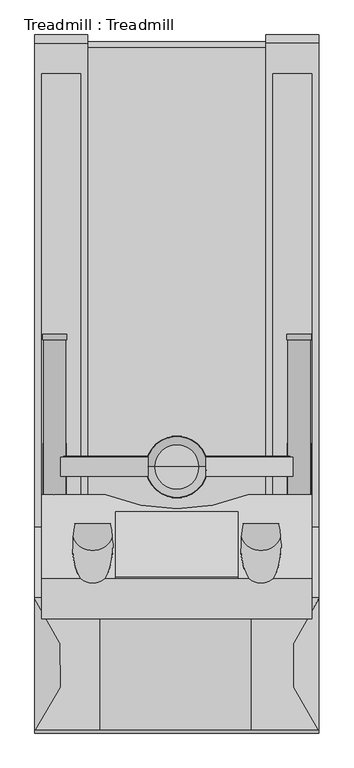
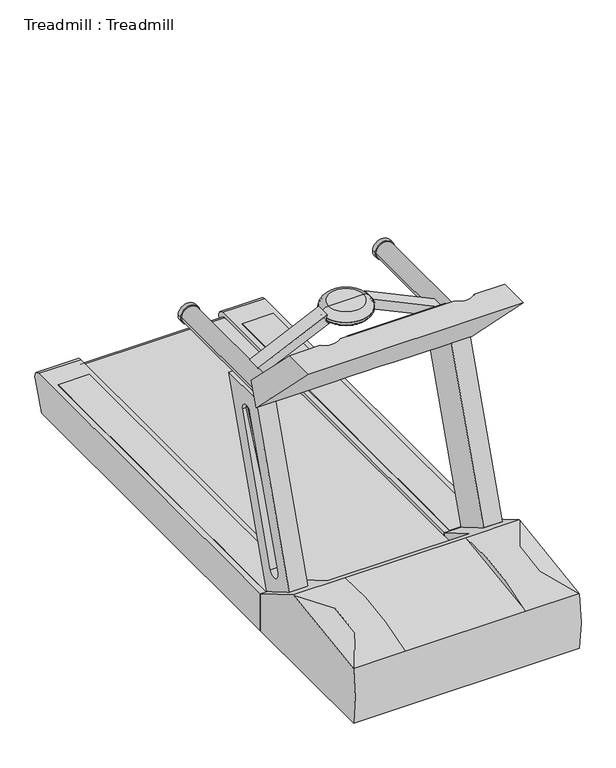
"""IFC4 building model written with IfcOpenShell, lengths in millimetres: proxy geometry, Treadmill : Treadmill."""

from ifc_helpers import new_model, si_unit, point, frame, frame_2d, origin, origin_with_axes, place, context, project, spatial, polyline, circle_curve, ellipse_curve, trimmed, segment, composite_curve, outline, extrude, source, transform, mapped, element, save
from ifc_brep_helpers import plane_surface, cylinder_surface, revolved_surface, advanced_brep


def treadmill_treadmill_3546c72e(model_context):
    return source(origin(), model_context, "Body", "SolidModel", [
        advanced_brep(
        [(-349.1721585, -1352.55, 1114.5524225), (-444.5, -1352.55, 1114.5524225), (-539.8278415, -1352.55, 1114.5524225), (-349.1721585, -1352.55, 1105.8211725), (-539.8278415, -1352.55, 1105.8211725), (-444.5, -1352.55, 1105.8211725)],
        [
            (0, 1),
            (1, 2),
            (2, 0, circle_curve(frame((-444.5, -1352.55, 1114.5524225), z_axis=(0.0, 0.0, 1.0), x_axis=(-1.0, 0.0, 0.0)), 95.3278415)),
            (0, 2, circle_curve(frame((-444.5, -1352.55, 1114.5524225), z_axis=(0.0, 0.0, 1.0), x_axis=(-1.0, 0.0, 0.0)), 95.3278415)),
            (3, 0, circle_curve(frame((-355.172416, -1352.55, 1110.1867975), z_axis=(0.0, -1.0, 0.0), x_axis=(-1.0, 0.0, 0.0)), 7.4203619)),
            (2, 4, circle_curve(frame((-533.827584, -1352.55, 1110.1867975), z_axis=(0.0, -1.0, 0.0), x_axis=(1.0, 0.0, 0.0)), 7.4203619)),
            (4, 3, circle_curve(frame((-444.5, -1352.55, 1105.8211725), z_axis=(0.0, 0.0, 1.0), x_axis=(-1.0, 0.0, 0.0)), 95.3278415)),
            (3, 4, circle_curve(frame((-444.5, -1352.55, 1105.8211725), z_axis=(0.0, 0.0, 1.0), x_axis=(-1.0, 0.0, 0.0)), 95.3278415)),
            (5, 3),
            (4, 5),
        ],
        [
            plane_surface(frame((-444.5, -1352.55, 1114.5524225), z_axis=(0.0, 0.0, 1.0), x_axis=(-1.0, 0.0, 0.0))),
            revolved_surface(trimmed(ellipse_curve(frame((-533.827584, -1352.55, 1110.1867975), z_axis=(0.0, -1.0, 0.0), x_axis=(1.0, 0.0, 0.0)), 7.4203619, 7.4203619), [point((-539.8278415, -1352.55, 1114.5524225))], [point((-539.8278415, -1352.55, 1105.8211725))], True, "CARTESIAN"), (-444.5, -1352.55, 1105.8211725), (0.0, 0.0, -1.0)),
            plane_surface(frame((-444.5, -1352.55, 1105.8211725), z_axis=(0.0, 0.0, -1.0), x_axis=(-1.0, 0.0, 0.0))),
        ],
        [
            (0, [[1, 2, 3]]),
            (0, [[-2, -1, 4]]),
            (1, [[5, -3, 6, 7]]),
            (1, [[-6, -4, -5, 8]]),
            (2, [[9, -7, 10]]),
            (2, [[-10, -8, -9]]),
        ],
    ),
        extrude(outline(polyline([(1115.7430475, -351.0103633), (1107.377116, -354.9284687), (984.7314722, -93.0557072), (991.6787291, -86.1084503), (1115.7430475, -351.0103633)])), frame((0.0, -1322.7841786, 0.0), z_axis=(0.0, 1.0, 0.0), x_axis=(0.0, 0.0, 1.0)), (0.0, 0.0, 1.0), 3.175),
        extrude(outline(polyline([(1115.7430475, -537.9896367), (991.6787291, -802.8915497), (984.7314722, -795.9442928), (1107.377116, -534.0715313), (1115.7430475, -537.9896367)])), frame((0.0, -1322.7841786, 0.0), z_axis=(0.0, 1.0, 0.0), x_axis=(0.0, 0.0, 1.0)), (0.0, 0.0, 1.0), 3.175),
        extrude(outline(composite_curve([segment(polyline([(1002.5022314, -80.7346316), (1129.8023351, -353.730585)]), True, "CONTINUOUS"), segment(trimmed(circle_curve(frame_2d((1114.8477313, -375.5559384)), 26.4572528), [point((1129.8023351, -353.730585))], [point((1092.8061427, -360.9219163))], True, "CARTESIAN"), True, "CONTINUOUS"), segment(polyline([(1092.8061427, -360.9219163), (969.3593485, -96.1894118)]), True, "CONTINUOUS"), segment(trimmed(circle_curve(frame_2d((973.4986498, -61.8012111)), 34.6364282), [point((969.3593485, -96.1894118))], [point((1002.5022314, -80.7346316))], True, "CARTESIAN"), True, "CONTINUOUS")], self_intersect=False)), frame((0.0, -1381.4594459, 0.0), z_axis=(0.0, 1.0, 0.0), x_axis=(0.0, 0.0, 1.0)), (0.0, 0.0, 1.0), 58.6752674),
        extrude(outline(composite_curve([segment(trimmed(circle_curve(frame_2d((973.4986498, -827.1987889)), 34.6364282), [point((1002.5022314, -808.2653684))], [point((969.3593485, -792.8105882))], True, "CARTESIAN"), True, "CONTINUOUS"), segment(polyline([(969.3593485, -792.8105882), (1092.8061427, -528.0780837)]), True, "CONTINUOUS"), segment(trimmed(circle_curve(frame_2d((1114.8477313, -513.4440616)), 26.4572528), [point((1092.8061427, -528.0780837))], [point((1129.8023351, -535.269415))], True, "CARTESIAN"), True, "CONTINUOUS"), segment(polyline([(1129.8023351, -535.269415), (1002.5022314, -808.2653684)]), True, "CONTINUOUS")], self_intersect=False)), frame((0.0, -1381.4594459, 0.0), z_axis=(0.0, 1.0, 0.0), x_axis=(0.0, 0.0, 1.0)), (0.0, 0.0, 1.0), 58.6752674),
        advanced_brep(
        [(-514.35, -1352.55, 1090.0482505), (-444.5, -1352.55, 1090.0482505), (-374.65, -1352.55, 1090.0482505), (-514.35, -1352.55, 1140.8482505), (-374.65, -1352.55, 1140.8482505), (-444.5, -1352.55, 1140.8482505)],
        [
            (0, 1),
            (1, 2),
            (2, 0, circle_curve(frame((-444.5, -1352.55, 1090.0482505), z_axis=(0.0, 0.0, -1.0), x_axis=(1.0, 0.0, 0.0)), 69.85)),
            (0, 2, circle_curve(frame((-444.5, -1352.55, 1090.0482505), z_axis=(0.0, 0.0, -1.0), x_axis=(1.0, 0.0, 0.0)), 69.85)),
            (3, 0, circle_curve(frame((-514.35, -1352.55, 1115.4482505), z_axis=(0.0, -1.0, 0.0), x_axis=(-1.0, 0.0, 0.0)), 25.4)),
            (2, 4, circle_curve(frame((-374.65, -1352.55, 1115.4482505), z_axis=(0.0, -1.0, 0.0), x_axis=(1.0, 0.0, 0.0)), 25.4)),
            (4, 3, circle_curve(frame((-444.5, -1352.55, 1140.8482505), z_axis=(0.0, 0.0, -1.0), x_axis=(1.0, 0.0, 0.0)), 69.85)),
            (3, 4, circle_curve(frame((-444.5, -1352.55, 1140.8482505), z_axis=(0.0, 0.0, -1.0), x_axis=(1.0, 0.0, 0.0)), 69.85)),
            (5, 3),
            (4, 5),
        ],
        [
            plane_surface(frame((-444.5, -1352.55, 1090.0482505), z_axis=(0.0, 0.0, -1.0), x_axis=(1.0, 0.0, 0.0))),
            revolved_surface(trimmed(ellipse_curve(frame((-374.65, -1352.55, 1115.4482505), z_axis=(0.0, -1.0, 0.0), x_axis=(1.0, 0.0, 0.0)), 25.4, 25.4), [point((-374.65, -1352.55, 1090.0482505))], [point((-374.65, -1352.55, 1140.8482505))], True, "CARTESIAN"), (-444.5, -1352.55, 1140.8482505), (0.0, 0.0, 1.0)),
            plane_surface(frame((-444.5, -1352.55, 1140.8482505), z_axis=(0.0, 0.0, 1.0), x_axis=(1.0, 0.0, 0.0))),
        ],
        [
            (0, [[1, 2, 3]]),
            (0, [[-2, -1, 4]]),
            (1, [[5, -3, 6, 7]]),
            (1, [[-6, -4, -5, 8]]),
            (2, [[9, -7, 10]]),
            (2, [[-10, -8, -9]]),
        ],
    ),
        extrude(outline(composite_curve([segment(trimmed(circle_curve(frame_2d((973.5491284, -61.8652712)), 38.1), [point((973.5491284, -23.7652712))], [point((973.5491284, -99.9652712))], False, "CARTESIAN"), True, "CONTINUOUS"), segment(trimmed(circle_curve(frame_2d((973.5491284, -61.8652712)), 38.1), [point((973.5491284, -99.9652712))], [point((973.5491284, -23.7652712))], False, "CARTESIAN"), True, "CONTINUOUS")], self_intersect=False)), frame((0.0, -954.5315853, 0.0), z_axis=(0.0, 1.0, 0.0), x_axis=(0.0, 0.0, 1.0)), (0.0, 0.0, 1.0), 17.3752344),
        extrude(outline(composite_curve([segment(trimmed(circle_curve(frame_2d((973.4986498, -61.8012111)), 34.6364282), [point((973.4986498, -27.1647829))], [point((973.4986498, -96.4376393))], False, "CARTESIAN"), True, "CONTINUOUS"), segment(trimmed(circle_curve(frame_2d((973.4986498, -61.8012111)), 34.6364282), [point((973.4986498, -96.4376393))], [point((973.4986498, -27.1647829))], False, "CARTESIAN"), True, "CONTINUOUS")], self_intersect=False)), frame((0.0, -1482.6539046, 0.0), z_axis=(0.0, 1.0, 0.0), x_axis=(0.0, 0.0, 1.0)), (0.0, 0.0, 1.0), 528.1223193),
        extrude(outline(composite_curve([segment(trimmed(circle_curve(frame_2d((973.5491284, -827.1347288)), 38.1), [point((973.5491284, -865.2347288))], [point((973.5491284, -789.0347288))], False, "CARTESIAN"), True, "CONTINUOUS"), segment(trimmed(circle_curve(frame_2d((973.5491284, -827.1347288)), 38.1), [point((973.5491284, -789.0347288))], [point((973.5491284, -865.2347288))], False, "CARTESIAN"), True, "CONTINUOUS")], self_intersect=False)), frame((0.0, -954.5315853, 0.0), z_axis=(0.0, 1.0, 0.0), x_axis=(0.0, 0.0, 1.0)), (0.0, 0.0, 1.0), 17.3752344),
        extrude(outline(composite_curve([segment(trimmed(circle_curve(frame_2d((973.4986498, -827.1987889)), 34.6364282), [point((973.4986498, -861.8352171))], [point((973.4986498, -792.5623607))], False, "CARTESIAN"), True, "CONTINUOUS"), segment(trimmed(circle_curve(frame_2d((973.4986498, -827.1987889)), 34.6364282), [point((973.4986498, -792.5623607))], [point((973.4986498, -861.8352171))], False, "CARTESIAN"), True, "CONTINUOUS")], self_intersect=False)), frame((0.0, -1482.6539046, 0.0), z_axis=(0.0, 1.0, 0.0), x_axis=(0.0, 0.0, 1.0)), (0.0, 0.0, 1.0), 528.1223193),
        extrude(outline(polyline([(-1700.9655905, 1270.0), (-1697.7905905, 1270.0), (-1492.5006609, 1064.7100704), (-1494.5976053, 1063.6320148), (-1700.9655905, 1270.0)])), frame((-636.2524063, 0.0, 0.0), z_axis=(1.0, 0.0, 0.0), x_axis=(0.0, 1.0, 0.0)), (0.0, 0.0, 1.0), 382.2381748),
        advanced_brep(
        [(-21.5810643, -1700.9655905, 1270.0), (-21.5810643, -1827.9655905, 1270.0), (-21.5810643, -1471.9818615, 914.0162711), (-21.5810643, -1439.4528809, 1008.4872905), (-867.4189357, -1700.9655905, 1270.0), (-867.4189357, -1439.4528809, 1008.4872905), (-867.4189357, -1471.9818615, 914.0162711), (-867.4189357, -1827.9655905, 1270.0), (-222.25, -1439.4528809, 1008.4872905), (-444.5, -1482.6539046, 1051.6883142), (-666.75, -1439.4528809, 1008.4872905), (-747.7787878, -1700.9655905, 1270.0), (-771.4479718, -1593.5543686, 1162.5887781), (-764.434193, -1530.5479483, 1099.5823578), (-651.4617506, -1530.5479483, 1099.5823578), (-644.4479718, -1593.5543686, 1162.5887781), (-668.1171558, -1700.9655905, 1270.0), (-220.8828442, -1700.9655905, 1270.0), (-244.5520282, -1593.5543686, 1162.5887781), (-237.5382494, -1530.5479483, 1099.5823578), (-124.565807, -1530.5479483, 1099.5823578), (-117.5520282, -1593.5543686, 1162.5887781), (-141.2212122, -1700.9655905, 1270.0), (-560.4711377, -1471.9818615, 914.0162711), (-328.5288623, -1471.9818615, 914.0162711), (-444.5, -1482.6539046, 924.6883142), (-644.4479718, -1556.6216029, 1086.8653868), (-771.4479718, -1556.6216029, 1086.8653868), (-117.5520282, -1556.6216029, 1086.8653868), (-244.5520282, -1556.6216029, 1086.8653868)],
        [
            (0, 1),
            (1, 2),
            (2, 3),
            (3, 0),
            (4, 5),
            (5, 6),
            (6, 7),
            (7, 4),
            (3, 8),
            (8, 9, ellipse_curve(frame((-437.1313239, -927.2733802, 496.3077897), z_axis=(0.0, -0.7071067811865471, -0.7071067811865479), x_axis=(0.0, -0.7071067811865479, 0.7071067811865471)), 785.495798, 555.4294054)),
            (9, 10, ellipse_curve(frame((-451.8686761, -927.2733802, 496.3077897), z_axis=(0.0, -0.7071067811865471, -0.7071067811865479), x_axis=(0.0, -0.7071067811865479, 0.7071067811865471)), 785.495798, 555.4294054)),
            (10, 5),
            (4, 11),
            (11, 12, ellipse_curve(frame((-707.9479718, -1593.5543686, 1162.5887781), z_axis=(0.0, -0.7071067811865471, -0.7071067811865479), x_axis=(0.0, -0.7071067811865479, 0.7071067811865471)), 195.0436464, 63.5)),
            (12, 13, ellipse_curve(frame((-707.9479718, -1593.5543686, 1162.5887781), z_axis=(0.0, -0.7071067811865471, -0.7071067811865479), x_axis=(0.0, -0.7071067811865479, 0.7071067811865471)), 195.0436464, 63.5)),
            (13, 14),
            (14, 15, ellipse_curve(frame((-707.9479718, -1593.5543686, 1162.5887781), z_axis=(0.0, -0.7071067811865471, -0.7071067811865479), x_axis=(0.0, -0.7071067811865479, 0.7071067811865471)), 195.0436464, 63.5)),
            (15, 16, ellipse_curve(frame((-707.9479718, -1593.5543686, 1162.5887781), z_axis=(0.0, -0.7071067811865471, -0.7071067811865479), x_axis=(0.0, -0.7071067811865479, 0.7071067811865471)), 195.0436464, 63.5)),
            (16, 17),
            (17, 18, ellipse_curve(frame((-181.0520282, -1593.5543686, 1162.5887781), z_axis=(0.0, -0.7071067811865471, -0.7071067811865479), x_axis=(0.0, -0.7071067811865479, 0.7071067811865471)), 195.0436464, 63.5)),
            (18, 19, ellipse_curve(frame((-181.0520282, -1593.5543686, 1162.5887781), z_axis=(0.0, -0.7071067811865471, -0.7071067811865479), x_axis=(0.0, -0.7071067811865479, 0.7071067811865471)), 195.0436464, 63.5)),
            (19, 20),
            (20, 21, ellipse_curve(frame((-181.0520282, -1593.5543686, 1162.5887781), z_axis=(0.0, -0.7071067811865471, -0.7071067811865479), x_axis=(0.0, -0.7071067811865479, 0.7071067811865471)), 195.0436464, 63.5)),
            (21, 22, ellipse_curve(frame((-181.0520282, -1593.5543686, 1162.5887781), z_axis=(0.0, -0.7071067811865471, -0.7071067811865479), x_axis=(0.0, -0.7071067811865479, 0.7071067811865471)), 195.0436464, 63.5)),
            (22, 0),
            (10, 23, ellipse_curve(frame((-451.8686761, -927.2733802, 2495.9645678), z_axis=(0.0, -0.9455185755993192, 0.32556815445715), x_axis=(0.0, 0.32556815445715004, 0.9455185755993192)), 1706.0311267, 555.4294054)),
            (23, 6),
            (2, 24),
            (24, 8, ellipse_curve(frame((-437.1313239, -927.2733802, 2495.9645678), z_axis=(0.0, -0.9455185755993192, 0.32556815445715), x_axis=(0.0, 0.32556815445715004, 0.9455185755993192)), 1706.0311267, 555.4294054)),
            (1, 7),
            (23, 25, ellipse_curve(frame((-451.8686761, -927.2733802, 369.3077897), z_axis=(0.0, 0.7071067811865469, 0.7071067811865482), x_axis=(0.0, -0.7071067811865482, 0.7071067811865467)), 785.495798, 555.4294054)),
            (25, 24, ellipse_curve(frame((-437.1313239, -927.2733802, 369.3077897), z_axis=(0.0, 0.7071067811865469, 0.7071067811865482), x_axis=(0.0, -0.7071067811865482, 0.7071067811865467)), 785.495798, 555.4294054)),
            (22, 17, ellipse_curve(frame((-181.0520282, -1645.9423219, 1270.0), z_axis=(0.0, 0.0, -1.0), x_axis=(0.0, -1.0, 0.0)), 70.6502232, 63.5)),
            (16, 11, ellipse_curve(frame((-707.9479718, -1645.9423219, 1270.0), z_axis=(0.0, 0.0, -1.0), x_axis=(0.0, -1.0, 0.0)), 70.6502232, 63.5)),
            (26, 14, circle_curve(frame((-707.9479718, -1556.6216029, 1086.8653868), z_axis=(0.0, -0.4383711467890823, 0.8987940462991646), x_axis=(1.0, 0.0, 0.0)), 63.5)),
            (13, 27, circle_curve(frame((-707.9479718, -1556.6216029, 1086.8653868), z_axis=(0.0, -0.4383711467890823, 0.8987940462991646), x_axis=(1.0, 0.0, 0.0)), 63.5)),
            (27, 26, circle_curve(frame((-707.9479718, -1556.6216029, 1086.8653868), z_axis=(0.0, -0.4383711467890823, 0.8987940462991646), x_axis=(1.0, 0.0, 0.0)), 63.5)),
            (12, 27),
            (26, 15),
            (28, 20, circle_curve(frame((-181.0520282, -1556.6216029, 1086.8653868), z_axis=(0.0, -0.4383711467890823, 0.8987940462991646), x_axis=(-1.0, 0.0, 0.0)), 63.5)),
            (19, 29, circle_curve(frame((-181.0520282, -1556.6216029, 1086.8653868), z_axis=(0.0, -0.4383711467890823, 0.8987940462991646), x_axis=(-1.0, 0.0, 0.0)), 63.5)),
            (29, 28, circle_curve(frame((-181.0520282, -1556.6216029, 1086.8653868), z_axis=(0.0, -0.4383711467890823, 0.8987940462991646), x_axis=(-1.0, 0.0, 0.0)), 63.5)),
            (29, 18),
            (21, 28),
            (25, 9),
        ],
        [
            plane_surface(frame((-21.5810643, -1439.4528809, 1008.4872905), z_axis=(1.0, 0.0, 0.0), x_axis=(0.0, 0.7071067811865479, -0.7071067811865471))),
            plane_surface(frame((-867.4189357, -1439.4528809, 1008.4872905), z_axis=(-1.0, 0.0, 0.0), x_axis=(0.0, -0.7071067811865479, 0.7071067811865471))),
            plane_surface(frame((-21.5810643, -1700.9655905, 1270.0), z_axis=(0.0, 0.7071067811865471, 0.7071067811865479), x_axis=(-1.0, 0.0, 0.0))),
            plane_surface(frame((-21.5810643, -1439.4528809, 1008.4872905), z_axis=(0.0, 0.9455185755993192, -0.32556815445715), x_axis=(-1.0, 0.0, 0.0))),
            plane_surface(frame((-21.5810643, -1471.9818615, 914.0162711), z_axis=(0.0, -0.7071067811865469, -0.7071067811865482), x_axis=(-1.0, 0.0, 0.0))),
            plane_surface(frame((-21.5810643, -1827.9655905, 1270.0), z_axis=(0.0, 0.0, 1.0), x_axis=(-1.0, 0.0, 0.0))),
            plane_surface(frame((-644.4479718, -1556.6216029, 1086.8653868), z_axis=(0.0, -0.4383711467890823, 0.8987940462991646), x_axis=(0.0, 0.8987940462991646, 0.4383711467890823))),
            revolved_surface(polyline([(-644.4479718, -1674.3976316220792, 1328.3420309348294), (-644.4479718, -1512.7111055031723, 996.8355253016277)]), (-707.9479718, -1556.6216029, 1086.8653868), (0.0, -0.4383711467890823, 0.8987940462991646)),
            plane_surface(frame((-244.5520282, -1556.6216029, 1086.8653868), z_axis=(0.0, -0.4383711467890823, 0.8987940462991646), x_axis=(0.0, -0.8987940462991646, -0.4383711467890823))),
            revolved_surface(polyline([(-244.5520282, -1674.3976316220792, 1328.3420309348294), (-244.5520282, -1512.7111055031723, 996.8355253016277)]), (-181.0520282, -1556.6216029, 1086.8653868), (0.0, -0.4383711467890823, 0.8987940462991646)),
            revolved_surface(polyline([(-992.5607292999999, -927.2733802, 4109.0486886454855), (-992.5607292999999, -927.2733802, -186.12161565933798)]), (-437.1313239, -927.2733802, 914.0162711), (0.0, 0.0, 1.0)),
            revolved_surface(polyline([(103.56072929999993, -927.2733802, 4109.0486886454855), (103.56072929999993, -927.2733802, -186.12161565933798)]), (-451.8686761, -927.2733802, 914.0162711), (0.0, 0.0, 1.0)),
        ],
        [
            (0, [[1, 2, 3, 4]]),
            (1, [[5, 6, 7, 8]]),
            (2, [[9, 10, 11, 12, -5, 13, 14, 15, 16, 17, 18, 19, 20, 21, 22, 23, 24, 25, -4]]),
            (3, [[-12, 26, 27, -6]]),
            (3, [[28, 29, -9, -3]]),
            (4, [[30, -7, -27, 31, 32, -28, -2]]),
            (5, [[-25, 33, -19, 34, -13, -8, -30, -1]]),
            (6, [[35, -16, 36, 37]]),
            (7, [[-15, 38, -36]]),
            (7, [[39, -17, -35]]),
            (7, [[-38, -14, -34, -18, -39, -37]]),
            (8, [[40, -22, 41, 42]]),
            (9, [[43, -20, -33, -24, 44, -42]]),
            (9, [[-21, -43, -41]]),
            (9, [[-44, -23, -40]]),
            (10, [[-10, -29, -32, 45]]),
            (11, [[-31, -26, -11, -45]]),
        ],
    ),
        advanced_brep(
        [(-848.2876226, -1373.1040381, 849.5007853), (-825.0360996, -1563.5861071, 294.7356878), (-821.8631251, -1563.5861071, 294.8505205), (-845.1146481, -1373.1040381, 849.6156179), (-845.2521976, -1372.7394679, 852.8974534), (-848.4247924, -1372.7398829, 852.7735595), (-825.3331212, -1613.0660431, 301.8224166), (-822.1605265, -1613.0664564, 301.9463105), (-824.9387113, -1563.5861071, 292.4120711), (-848.1898549, -1373.1040381, 847.1681159), (-845.0176399, -1373.1040381, 847.3010709), (-821.7664963, -1563.5861071, 292.5450261)],
        [
            (0, 1),
            (1, 2),
            (2, 3),
            (3, 0),
            (3, 4, ellipse_curve(frame((-845.3007036, -1398.1547124, 854.0547726), z_axis=(0.9991228318799896, 0.0, 0.041875611232674984), x_axis=(-0.04187561123264924, 0.0, 0.9991228318799907)), 25.4420414, 25.4416263)),
            (4, 5),
            (5, 0, ellipse_curve(frame((-848.4736782, -1398.1547124, 853.93994), z_axis=(-0.9991228318799896, 0.0, -0.041875611232674984), x_axis=(-0.04187561123264924, 0.0, 0.9991228318799907)), 25.4420414, 25.4416263)),
            (1, 6, ellipse_curve(frame((-825.3818186, -1587.6510073, 302.9843017), z_axis=(-0.9991228318799896, 0.0, -0.041875611232674984), x_axis=(-0.04187561123264929, 0.0, 0.9991228318799906)), 25.4420414, 25.4416263)),
            (6, 7),
            (7, 2, ellipse_curve(frame((-822.2088441, -1587.6510073, 303.0991343), z_axis=(0.9991228318799896, 0.0, 0.041875611232674984), x_axis=(-0.04187561123264929, 0.0, 0.9991228318799906)), 25.4420414, 25.4416263)),
            (8, 6, circle_curve(frame((-825.2844247, -1587.6510073, 300.6605504), z_axis=(-0.9991228318799896, 0.0, -0.041875611232674984), x_axis=(0.0, -1.0, 0.0)), 25.4416263)),
            (5, 9, circle_curve(frame((-848.3759074, -1398.1547124, 851.6071981), z_axis=(-0.9991228318799895, 0.0, -0.04187561123267499), x_axis=(-0.025781047294201585, -0.7880136137091434, 0.6151177791362166)), 25.4416263)),
            (9, 8),
            (10, 4, circle_curve(frame((-845.2036924, -1398.1547124, 851.7401532), z_axis=(0.9991228318799895, 0.0, 0.04187561123267499), x_axis=(-0.025781047294201585, -0.7880136137091434, 0.6151177791362166)), 25.4416263)),
            (7, 11, circle_curve(frame((-822.1122097, -1587.6510073, 300.7935054), z_axis=(0.9991228318799896, 0.0, 0.041875611232674984), x_axis=(0.0, -1.0, 0.0)), 25.4416263)),
            (11, 10),
            (9, 10),
            (11, 8),
        ],
        [
            plane_surface(frame((-878.4983709, -1563.5861071, 292.8008432), z_axis=(-0.011736121747804657, -0.9458868663800291, 0.3242842880191543), x_axis=(0.9993457540594537, 0.0, 0.036167165265498895))),
            revolved_surface(polyline([(-849.1854261948184, -1418.2030602793006, 869.5877716000386), (-845.721952527889, -1418.2030602793006, 869.7131176316756)]), (-841.8407443, -1398.1547124, 854.1799914), (-0.9993457540594535, 0.0, -0.03616716526549886)),
            revolved_surface(polyline([(-825.52706813318, -1613.0926336, 302.9790449763157), (-822.0635945661197, -1613.0926336, 303.10439100433825)]), (-821.8970719, -1587.6510073, 303.1104176), (-0.9993457540594537, 0.0, -0.036167165265498874)),
            plane_surface(frame((-849.6414399, -1361.2121106, 881.8019201), z_axis=(-0.9991228318799896, 0.0, -0.041875611232674984), x_axis=(-0.039609590686623286, 0.3244965885949635, 0.945057164575704))),
            plane_surface(frame((-846.4692249, -1361.2121106, 881.9348751), z_axis=(0.9991228318799896, 0.0, 0.041875611232674984), x_axis=(0.039609590686623286, -0.3244965885949635, -0.945057164575704))),
            plane_surface(frame((-824.9387113, -1563.5861071, 292.4120711), z_axis=(0.013588492990329883, 0.9458868663800292, -0.324211950532396), x_axis=(0.9991228318799898, 0.0, 0.04187561123266856))),
            cylinder_surface(frame((-845.2036924, -1398.1547124, 851.7401532), z_axis=(-0.9991228318799897, 0.0, -0.041875611232675), x_axis=(-0.025781047294201585, -0.7880136137091434, 0.6151177791362166)), 25.4416263),
            cylinder_surface(frame((-822.1122097, -1587.6510073, 300.7935054), z_axis=(-0.9991228318799896, 0.0, -0.041875611232674984), x_axis=(0.0, -1.0, 0.0)), 25.4416263),
        ],
        [
            (0, [[1, 2, 3, 4]]),
            (1, [[5, 6, 7, -4]]),
            (2, [[8, 9, 10, -2]]),
            (3, [[11, -8, -1, -7, 12, 13]]),
            (4, [[14, -5, -3, -10, 15, 16]]),
            (5, [[17, -16, 18, -13]]),
            (6, [[-12, -6, -14, -17]]),
            (7, [[-15, -9, -11, -18]]),
        ],
    ),
        advanced_brep(
        [(-863.6, -1538.6841786, 188.3482505), (-863.6, -1691.0841786, 188.3482505), (-863.6, -1691.0841786, 277.6969387), (-863.6, -1461.6582381, 943.9982505), (-863.6, -1278.4930176, 943.9982505), (-863.6, -1563.5861071, 293.3400278), (-863.6, -1373.1040381, 848.9466174), (-863.6, -1420.4970688, 865.5699204), (-863.6, -1611.7065568, 309.8895036), (-790.4654534, -1538.6841786, 188.3482505), (-790.4654534, -1278.4930176, 943.9982505), (-790.4654534, -1461.6582381, 943.9982505), (-790.4654534, -1691.0841786, 277.6969387), (-790.4654534, -1691.0841786, 188.3482505), (-821.5984859, -1563.5861071, 294.860098), (-822.1966419, -1611.7065568, 311.387926), (-842.2808787, -1420.4970688, 866.3414774), (-841.6800543, -1373.1040381, 849.7399188)],
        [
            (0, 1),
            (1, 2),
            (2, 3),
            (3, 4),
            (4, 0),
            (5, 6),
            (6, 7, ellipse_curve(frame((-863.6, -1398.1547124, 853.3925056), z_axis=(1.0, 0.0, 0.0), x_axis=(0.0, 0.0, -1.0)), 25.4582823, 25.4416263)),
            (7, 8),
            (8, 5, ellipse_curve(frame((-863.6, -1587.6510073, 301.6011535), z_axis=(1.0, 0.0, 0.0), x_axis=(0.0, 0.0, -1.0)), 25.4582823, 25.4416263)),
            (9, 10),
            (10, 11),
            (11, 12),
            (12, 13),
            (13, 9),
            (4, 10),
            (9, 0),
            (3, 11),
            (2, 12),
            (1, 13),
            (14, 15, circle_curve(frame((-821.8970719, -1587.6510073, 303.1104176), z_axis=(-0.9993457540594537, 0.0, -0.036167165265498874), x_axis=(0.0, -1.0, 0.0)), 25.4416263)),
            (15, 16),
            (16, 17, circle_curve(frame((-841.8407443, -1398.1547124, 854.1799914), z_axis=(-0.9993457540594537, 0.0, -0.03616716526549887), x_axis=(-0.022266597925607597, -0.7880136137091435, 0.6152550229180385)), 25.4416263)),
            (17, 14),
            (17, 6),
            (5, 14),
            (16, 7),
            (15, 8),
        ],
        [
            plane_surface(frame((-863.6, -1287.1431337, 918.8764891), z_axis=(-1.0000000000000002, 0.0, 0.0), x_axis=(0.0, 0.3255681544571555, 0.9455185755993173))),
            plane_surface(frame((-790.4654534, -1287.1431337, 918.8764891), z_axis=(1.0000000000000002, 0.0, 0.0), x_axis=(0.0, -0.3255681544571555, -0.9455185755993173))),
            plane_surface(frame((-863.6, -1538.6841786, 188.3482505), z_axis=(0.0, 0.9455185755993173, -0.3255681544571555), x_axis=(1.0, 0.0, 0.0))),
            plane_surface(frame((-863.6, -1278.4930176, 943.9982505), z_axis=(0.0, 0.0, 1.0), x_axis=(1.0, 0.0, 0.0))),
            plane_surface(frame((-863.6, -1461.6582381, 943.9982505), z_axis=(0.0, -0.9455185755993173, 0.3255681544571554), x_axis=(1.0, 0.0, 0.0))),
            plane_surface(frame((-863.6, -1691.0841786, 277.6969387), z_axis=(0.0, -1.0, 0.0), x_axis=(1.0, 0.0, 0.0))),
            plane_surface(frame((-863.6, -1691.0841786, 188.3482505), z_axis=(0.0, 0.0, -1.0), x_axis=(1.0, 0.0, 0.0))),
            plane_surface(frame((-842.9337606, -1361.2121106, 884.3814504), z_axis=(-0.9993457540594538, 0.0, -0.03616716526549888), x_axis=(0.03421004661883137, -0.3244965885949638, -0.9452680237374839))),
            plane_surface(frame((-878.4983709, -1563.5861071, 292.8008432), z_axis=(-0.011736121747804657, -0.9458868663800291, 0.3242842880191543), x_axis=(0.9993457540594537, 0.0, 0.036167165265498895))),
            revolved_surface(polyline([(-865.0866499669826, -1418.2030602793006, 869.0122929073485), (-842.4072427332349, -1418.2030602793006, 869.8330797733702)]), (-841.8407443, -1398.1547124, 854.1799914), (-0.9993457540594535, 0.0, -0.03616716526549886)),
            plane_surface(frame((-899.1807638, -1420.4970688, 864.2822226), z_axis=(0.01177479781541454, 0.945519331824882, -0.32535295800381925), x_axis=(0.9993457540594537, 0.0, 0.036167165265498895))),
            revolved_surface(polyline([(-864.5201515030005, -1613.0926336, 301.567852418866), (-821.8970718932587, -1613.0926336, 303.110417600244)]), (-821.8970719, -1587.6510073, 303.1104176), (-0.9993457540594537, 0.0, -0.036167165265498874)),
        ],
        [
            (0, [[1, 2, 3, 4, 5], [6, 7, 8, 9]]),
            (1, [[10, 11, 12, 13, 14]]),
            (2, [[15, -10, 16, -5]]),
            (3, [[17, -11, -15, -4]]),
            (4, [[18, -12, -17, -3]]),
            (5, [[19, -13, -18, -2]]),
            (6, [[-16, -14, -19, -1]]),
            (7, [[20, 21, 22, 23]]),
            (8, [[24, -6, 25, -23]]),
            (9, [[26, -7, -24, -22]]),
            (10, [[27, -8, -26, -21]]),
            (11, [[-25, -9, -27, -20]]),
        ],
    ),
        extrude(outline(composite_curve([segment(polyline([(-8.255721, 49.5065265), (546.9873654, 239.9885955)]), True, "CONTINUOUS"), segment(trimmed(circle_curve(frame_2d((551.4303448, 214.9379212)), 25.4416263), [point((546.9873654, 239.9885955))], [point((563.5997926, 192.5955648))], False, "CARTESIAN"), True, "CONTINUOUS"), segment(polyline([(563.5997926, 192.5955648), (8.2829274, 1.3860768)]), True, "CONTINUOUS"), segment(trimmed(circle_curve(frame_2d((0.0, 25.4416263)), 25.4416263), [point((8.2829274, 1.3860768))], [point((-8.255721, 49.5065265))], False, "CARTESIAN"), True, "CONTINUOUS")], self_intersect=False)), frame((-63.7155753, -1613.0926336, 300.6605504), z_axis=(-0.9991228318799895, 0.0, 0.04187561123267498), x_axis=(0.04187561123267498, 0.0, 0.9991228318799895)), (0.0, 0.0, 1.0), 3.175),
        extrude(outline(composite_curve([segment(trimmed(circle_curve(frame_2d((-108.006685, -2033.9841786)), 44.45), [point((-63.556685, -2033.9841786))], [point((-152.456685, -2033.9841786))], False, "CARTESIAN"), True, "CONTINUOUS"), segment(trimmed(circle_curve(frame_2d((-108.006685, -2033.9841786)), 44.45), [point((-152.456685, -2033.9841786))], [point((-63.556685, -2033.9841786))], False, "CARTESIAN"), True, "CONTINUOUS")], self_intersect=False)), origin_with_axes(), (0.0, 0.0, 1.0), 34.3330453),
        extrude(outline(composite_curve([segment(trimmed(circle_curve(frame_2d((-780.993315, -2033.9841786)), 44.45), [point((-825.443315, -2033.9841786))], [point((-736.543315, -2033.9841786))], False, "CARTESIAN"), True, "CONTINUOUS"), segment(trimmed(circle_curve(frame_2d((-780.993315, -2033.9841786)), 44.45), [point((-736.543315, -2033.9841786))], [point((-825.443315, -2033.9841786))], False, "CARTESIAN"), True, "CONTINUOUS")], self_intersect=False)), origin_with_axes(), (0.0, 0.0, 1.0), 34.3330453),
        extrude(outline(composite_curve([segment(trimmed(circle_curve(frame_2d((-108.006685, -154.3841786)), 44.45), [point((-63.556685, -154.3841786))], [point((-152.456685, -154.3841786))], False, "CARTESIAN"), True, "CONTINUOUS"), segment(trimmed(circle_curve(frame_2d((-108.006685, -154.3841786)), 44.45), [point((-152.456685, -154.3841786))], [point((-63.556685, -154.3841786))], False, "CARTESIAN"), True, "CONTINUOUS")], self_intersect=False)), origin_with_axes(), (0.0, 0.0, 1.0), 34.3330453),
        extrude(outline(composite_curve([segment(trimmed(circle_curve(frame_2d((-780.993315, -154.3841786)), 44.45), [point((-825.443315, -154.3841786))], [point((-736.543315, -154.3841786))], False, "CARTESIAN"), True, "CONTINUOUS"), segment(trimmed(circle_curve(frame_2d((-780.993315, -154.3841786)), 44.45), [point((-736.543315, -154.3841786))], [point((-825.443315, -154.3841786))], False, "CARTESIAN"), True, "CONTINUOUS")], self_intersect=False)), origin_with_axes(), (0.0, 0.0, 1.0), 34.3330453),
        advanced_brep(
        [(-25.4, -1538.6841786, 188.3482505), (-25.4, -1278.4930176, 943.9982505), (-25.4, -1461.6582381, 943.9982505), (-25.4, -1691.0841786, 277.6969387), (-25.4, -1691.0841786, 188.3482505), (-25.4, -1611.7065568, 309.8895036), (-25.4, -1420.4970688, 865.5699204), (-25.4, -1373.1040381, 848.9466174), (-25.4, -1563.5861071, 293.3400278), (-98.5345466, -1538.6841786, 188.3482505), (-98.5345466, -1691.0841786, 188.3482505), (-98.5345466, -1691.0841786, 277.6969387), (-98.5345466, -1461.6582381, 943.9982505), (-98.5345466, -1278.4930176, 943.9982505), (-67.4015141, -1563.5861071, 294.860098), (-47.3199457, -1373.1040381, 849.7399188), (-46.7191213, -1420.4970688, 866.3414774), (-66.8033581, -1611.7065568, 311.387926)],
        [
            (0, 1),
            (1, 2),
            (2, 3),
            (3, 4),
            (4, 0),
            (5, 6),
            (6, 7, ellipse_curve(frame((-25.4, -1398.1547124, 853.3925056), z_axis=(-1.0, 0.0, 0.0), x_axis=(0.0, 0.0, -1.0)), 25.4582823, 25.4416263)),
            (7, 8),
            (8, 5, ellipse_curve(frame((-25.4, -1587.6510073, 301.6011535), z_axis=(-1.0, 0.0, 0.0), x_axis=(0.0, 0.0, -1.0)), 25.4582823, 25.4416263)),
            (9, 10),
            (10, 11),
            (11, 12),
            (12, 13),
            (13, 9),
            (4, 10),
            (9, 0),
            (3, 11),
            (2, 12),
            (1, 13),
            (14, 15),
            (15, 16, circle_curve(frame((-47.1592557, -1398.1547124, 854.1799914), z_axis=(0.9993457540594537, 0.0, -0.03616716526549887), x_axis=(0.022266597925607597, -0.7880136137091435, 0.6152550229180385)), 25.4416263)),
            (16, 17),
            (17, 14, circle_curve(frame((-67.1029281, -1587.6510073, 303.1104176), z_axis=(0.9993457540594537, 0.0, -0.036167165265498874), x_axis=(0.0, -1.0, 0.0)), 25.4416263)),
            (17, 5),
            (8, 14),
            (16, 6),
            (15, 7),
        ],
        [
            plane_surface(frame((-25.4, -1538.6841786, 188.3482505), z_axis=(1.0, 0.0, 0.0), x_axis=(0.0, -1.0, 0.0))),
            plane_surface(frame((-98.5345466, -1538.6841786, 188.3482505), z_axis=(-1.0, 0.0, 0.0), x_axis=(0.0, 1.0, 0.0))),
            plane_surface(frame((-25.4, -1538.6841786, 188.3482505), z_axis=(0.0, 0.0, -1.0), x_axis=(-1.0, 0.0, 0.0))),
            plane_surface(frame((-25.4, -1691.0841786, 188.3482505), z_axis=(0.0, -1.0, 0.0), x_axis=(-1.0, 0.0, 0.0))),
            plane_surface(frame((-25.4, -1691.0841786, 277.6969387), z_axis=(0.0, -0.9455185755993173, 0.3255681544571555), x_axis=(-1.0, 0.0, 0.0))),
            plane_surface(frame((-25.4, -1461.6582381, 943.9982505), z_axis=(0.0, 0.0, 1.0), x_axis=(-1.0, 0.0, 0.0))),
            plane_surface(frame((-25.4, -1278.4930176, 943.9982505), z_axis=(0.0, 0.9455185755993173, -0.32556815445715537), x_axis=(-1.0, 0.0, 0.0))),
            plane_surface(frame((-67.1029281, -1613.0926336, 303.1104176), z_axis=(0.9993457540594537, 0.0, -0.036167165265498874), x_axis=(-0.036167165265498874, 0.0, -0.9993457540594537))),
            revolved_surface(polyline([(-24.479848496999537, -1613.0926336, 301.567852418866), (-67.10292810674135, -1613.0926336, 303.110417600244)]), (-67.1029281, -1587.6510073, 303.1104176), (0.9993457540594537, 0.0, -0.036167165265498874)),
            plane_surface(frame((-9.9034731, -1611.7065568, 309.3286712), z_axis=(-0.011774797815414554, 0.9455193318248821, -0.3253529580038193), x_axis=(-0.9993457540594538, 0.0, 0.036167165265498936))),
            revolved_surface(polyline([(-23.913350033017462, -1418.2030602793006, 869.0122929073485), (-46.59275726676514, -1418.2030602793006, 869.8330797733702)]), (-47.1592557, -1398.1547124, 854.1799914), (0.9993457540594535, 0.0, -0.03616716526549886)),
            plane_surface(frame((9.5799394, -1373.1040381, 847.680664), z_axis=(0.011736121747804673, -0.9458868663800292, 0.32428428801915443), x_axis=(-0.9993457540594537, 0.0, 0.03616716526549893))),
        ],
        [
            (0, [[1, 2, 3, 4, 5], [6, 7, 8, 9]]),
            (1, [[10, 11, 12, 13, 14]]),
            (2, [[15, -10, 16, -5]]),
            (3, [[17, -11, -15, -4]]),
            (4, [[18, -12, -17, -3]]),
            (5, [[19, -13, -18, -2]]),
            (6, [[-16, -14, -19, -1]]),
            (7, [[20, 21, 22, 23]]),
            (8, [[24, -9, 25, -23]]),
            (9, [[26, -6, -24, -22]]),
            (10, [[27, -7, -26, -21]]),
            (11, [[-25, -8, -27, -20]]),
        ],
    ),
        extrude(outline(composite_curve([segment(polyline([(-1538.6841786, 34.3330453), (-1538.6841786, 188.3482505), (-27.2867159, 188.3482505)]), True, "CONTINUOUS"), segment(trimmed(circle_curve(frame_2d((-27.2867159, 162.9482505)), 25.4), [point((-27.2867159, 188.3482505))], [point((-3.4185234, 154.2609389))], False, "CARTESIAN"), True, "CONTINUOUS"), segment(polyline([(-3.4185234, 154.2609389), (-47.0687069, 34.3330453), (-1538.6841786, 34.3330453)]), True, "CONTINUOUS")], self_intersect=False)), frame((-889.0, 0.0, 0.0), z_axis=(1.0, 0.0, 0.0), x_axis=(0.0, 1.0, 0.0)), (0.0, 0.0, 1.0), 165.1),
        extrude(outline(composite_curve([segment(polyline([(-1538.6841786, 34.3330453), (-1538.6841786, 188.3482505), (-27.2867159, 188.3482505)]), True, "CONTINUOUS"), segment(trimmed(circle_curve(frame_2d((-27.2867159, 162.9482505)), 25.4), [point((-27.2867159, 188.3482505))], [point((-3.4185234, 154.2609389))], False, "CARTESIAN"), True, "CONTINUOUS"), segment(polyline([(-3.4185234, 154.2609389), (-47.0687069, 34.3330453), (-1538.6841786, 34.3330453)]), True, "CONTINUOUS")], self_intersect=False)), frame((-165.1, 0.0, 0.0), z_axis=(1.0, 0.0, 0.0), x_axis=(0.0, 1.0, 0.0)), (0.0, 0.0, 1.0), 165.1),
        advanced_brep(
        [(-165.1, -1538.6841786, 175.6482505), (-165.1, -1538.6841786, 47.0330453), (-165.1, -61.4962849, 47.0330453), (-165.1, -23.9892537, 150.0827668), (-165.1, -41.8903981, 175.6482505), (-723.9, -1538.6841786, 47.0330453), (-723.9, -1538.6841786, 175.6482505), (-723.9, -41.8903981, 175.6482505), (-723.9, -23.9892537, 150.0827668), (-723.9, -61.4962849, 47.0330453), (-723.9, -1708.5010442, 175.6482505), (-165.1, -1708.5010442, 175.6482505), (0.0, -1761.8357146, 319.1769711), (0.0, -1765.2848676, 319.5548996), (0.0, -2173.8349565, 262.1369291), (0.0, -2173.6841786, 34.3330453), (0.0, -1538.6841786, 34.3330453), (0.0, -1538.6841786, 188.3482505), (-889.0, -2173.6841786, 34.3330453), (-889.0, -2173.8349565, 262.1369291), (-889.0, -1765.2848676, 319.5548996), (-889.0, -1761.8357146, 319.1769711), (-889.0, -1538.6841786, 188.3482505), (-889.0, -1538.6841786, 34.3330453), (-2.6761868, -2173.6841786, 262.9330453), (-210.3302763, -2173.6841786, 262.9330453), (-686.4527593, -2173.6841786, 262.9330453), (-886.3238132, -2173.6841786, 262.9330453), (-686.4527593, -1761.8357146, 319.1769711), (-210.3302763, -1761.8357146, 319.1769711), (-165.1, -1538.6841786, 188.3482505), (-165.1, -1708.5010442, 287.9080548), (-723.9, -1708.5010442, 287.9080548), (-723.9, -1538.6841786, 188.3482505)],
        [
            (0, 1),
            (1, 2),
            (2, 3),
            (3, 4, circle_curve(frame((-165.1, -41.8903981, 156.5982505), z_axis=(1.0, 0.0, 0.0), x_axis=(0.0, -1.0, 0.0)), 19.05)),
            (4, 0),
            (5, 6),
            (6, 7),
            (7, 8, circle_curve(frame((-723.9, -41.8903981, 156.5982505), z_axis=(-1.0, 0.0, 0.0), x_axis=(0.0, -1.0, 0.0)), 19.05)),
            (8, 9),
            (9, 5),
            (4, 7),
            (6, 10),
            (10, 11),
            (11, 0),
            (3, 8),
            (2, 9),
            (1, 5),
            (12, 13, circle_curve(frame((0.0, -1856.1841786, -525.9631501), z_axis=(1.0, 0.0, 0.0), x_axis=(0.0, -1.0, 0.0)), 850.3901793)),
            (13, 14),
            (14, 15, circle_curve(frame((0.0, -1572.3509725, 148.6330453), z_axis=(1.0, 0.0, 0.0), x_axis=(0.0, -1.0, 0.0)), 612.0997588)),
            (15, 16),
            (16, 17),
            (17, 12),
            (18, 19, circle_curve(frame((-889.0, -1572.3509725, 148.6330453), z_axis=(-1.0, 0.0, 0.0), x_axis=(0.0, -1.0, 0.0)), 612.0997588)),
            (19, 20),
            (20, 21, circle_curve(frame((-889.0, -1856.1841786, -525.9631501), z_axis=(-1.0, 0.0, 0.0), x_axis=(0.0, -1.0, 0.0)), 850.3901793)),
            (21, 22),
            (22, 23),
            (23, 18),
            (14, 24, ellipse_curve(frame((683.9156714, -1572.3509725, 148.6330453), z_axis=(-0.27563735581699966, 0.13378177105787276, -0.9519067631920848), x_axis=(0.9612616959383187, 0.03836130554948632, -0.2729548720179331)), 2220.6705509, 612.0997588)),
            (24, 25),
            (25, 26),
            (26, 27),
            (27, 19, ellipse_curve(frame((-1572.9156714, -1572.3509725, 148.6330453), z_axis=(0.27563735581699966, 0.13378177105787276, -0.9519067631920848), x_axis=(0.9612616959383187, -0.03836130554948632, 0.2729548720179331)), 2220.6705509, 612.0997588)),
            (18, 15),
            (20, 27, ellipse_curve(frame((-3764.8572172, -1856.1841786, -525.9631501), z_axis=(0.27563735581699966, 0.13378177105787276, -0.9519067631920848), x_axis=(0.9612616959383187, -0.03836130554948632, 0.2729548720179331)), 3085.1775398, 850.3901793)),
            (26, 28, circle_curve(frame((-686.4527593, -1856.1841786, -525.9631501), z_axis=(-1.0, 0.0, 0.0), x_axis=(0.0, -1.0, 0.0)), 850.3901793)),
            (28, 21),
            (29, 25, circle_curve(frame((-210.3302763, -1856.1841786, -525.9631501), z_axis=(1.0, 0.0, 0.0), x_axis=(0.0, -1.0, 0.0)), 850.3901793)),
            (24, 13, ellipse_curve(frame((2875.8572172, -1856.1841786, -525.9631501), z_axis=(-0.27563735581699966, 0.13378177105787276, -0.9519067631920848), x_axis=(0.9612616959383187, 0.03836130554948632, -0.2729548720179331)), 3085.1775398, 850.3901793)),
            (12, 29),
            (17, 30),
            (30, 31),
            (31, 32),
            (32, 33),
            (33, 22),
            (28, 29),
            (16, 23),
            (33, 6),
            (0, 30),
            (11, 31),
            (32, 10),
            (29, 25),
            (26, 28),
        ],
        [
            plane_surface(frame((-165.1, -14.6841786, 175.6482505), z_axis=(1.0, 0.0, 0.0), x_axis=(0.0, 1.0, 0.0))),
            plane_surface(frame((-723.9, -14.6841786, 175.6482505), z_axis=(-1.0, 0.0, 0.0), x_axis=(0.0, -1.0, 0.0))),
            plane_surface(frame((-165.1, -1538.6841786, 175.6482505), z_axis=(0.0, 0.0, 1.0), x_axis=(-1.0, 0.0, 0.0))),
            cylinder_surface(frame((-723.9, -41.8903981, 156.5982505), z_axis=(1.0, 0.0, 0.0), x_axis=(0.0, -1.0, 0.0)), 19.05),
            plane_surface(frame((-165.1, -23.9892537, 150.0827668), z_axis=(0.0, 0.9396926207859093, -0.34202014332566616), x_axis=(-1.0, 0.0, 0.0))),
            plane_surface(frame((-165.1, -61.4962849, 47.0330453), z_axis=(0.0, 0.0, -1.0), x_axis=(-1.0, 0.0, 0.0))),
            plane_surface(frame((0.0, -2184.4507313, 148.6330453), z_axis=(1.0, 0.0, 0.0), x_axis=(0.0, 0.0, 1.0))),
            plane_surface(frame((-889.0, -2184.4507313, 148.6330453), z_axis=(-1.0, 0.0, 0.0), x_axis=(0.0, 0.0, -1.0))),
            cylinder_surface(frame((-889.0, -1572.3509725, 148.6330453), z_axis=(1.0, 0.0, 0.0), x_axis=(0.0, -1.0, 0.0)), 612.0997588),
            cylinder_surface(frame((-889.0, -1856.1841786, -525.9631501), z_axis=(1.0, 0.0, 0.0), x_axis=(0.0, -1.0, 0.0)), 850.3901793),
            plane_surface(frame((0.0, -1761.8357146, 319.1769711), z_axis=(0.0, 0.5057648175198158, 0.8626714028870711), x_axis=(-1.0, 0.0, 0.0))),
            plane_surface(frame((0.0, -1538.6841786, 188.3482505), z_axis=(0.0, 1.0, 0.0), x_axis=(-1.0, 0.0, 0.0))),
            plane_surface(frame((0.0, -1538.6841786, 34.3330453), z_axis=(0.0, 0.0, -1.0), x_axis=(-1.0, 0.0, 0.0))),
            plane_surface(frame((-165.1, -1538.6841786, 175.6482505), z_axis=(-1.0, 0.0, 0.0), x_axis=(0.0, 0.0, -1.0))),
            plane_surface(frame((-723.9, -1538.6841786, 175.6482505), z_axis=(1.0, 0.0, 0.0), x_axis=(0.0, 0.0, 1.0))),
            plane_surface(frame((-165.1, -1708.5010442, 175.6482505), z_axis=(0.0, 1.0, 0.0), x_axis=(-1.0, 0.0, 0.0))),
            plane_surface(frame((-210.3302763, -2706.5743578, -525.9631501), z_axis=(-1.0, 0.0, 0.0), x_axis=(0.0, 0.0, 1.0))),
            plane_surface(frame((-686.4527593, -2706.5743578, -525.9631501), z_axis=(1.0, 0.0, 0.0), x_axis=(0.0, 0.0, -1.0))),
            plane_surface(frame((-210.3302763, -1761.8357146, 319.1769711), z_axis=(0.0, -0.13530869456968372, 0.9908034906952277), x_axis=(-1.0, 0.0, 0.0))),
            plane_surface(frame((-889.0, -1761.6379615, 320.0674388), z_axis=(-0.27563735581699966, -0.13378177105787276, 0.9519067631920848), x_axis=(0.0, -0.9902680687415696, -0.13917310096007104))),
            plane_surface(frame((-109.8722118, -1766.0226587, 351.2661807), z_axis=(0.27563735581699966, -0.13378177105787276, 0.9519067631920848), x_axis=(0.0, -0.9902680687415696, -0.13917310096007104))),
        ],
        [
            (0, [[1, 2, 3, 4, 5]]),
            (1, [[6, 7, 8, 9, 10]]),
            (2, [[11, -7, 12, 13, 14, -5]]),
            (3, [[15, -8, -11, -4]]),
            (4, [[16, -9, -15, -3]]),
            (5, [[17, -10, -16, -2]]),
            (6, [[18, 19, 20, 21, 22, 23]]),
            (7, [[24, 25, 26, 27, 28, 29]]),
            (8, [[-20, 30, 31, 32, 33, 34, -24, 35]]),
            (9, [[-26, 36, -33, 37, 38]]),
            (9, [[39, -31, 40, -18, 41]]),
            (10, [[42, 43, 44, 45, 46, -27, -38, 47, -41, -23]]),
            (11, [[48, -28, -46, 49, -6, -17, -1, 50, -42, -22]]),
            (12, [[-35, -29, -48, -21]]),
            (13, [[-43, -50, -14, 51]]),
            (14, [[-49, -45, 52, -12]]),
            (15, [[-13, -52, -44, -51]]),
            (16, [[-39, 53]]),
            (17, [[-37, 54]]),
            (18, [[-47, -54, -32, -53]]),
            (19, [[-34, -36, -25]]),
            (20, [[-40, -30, -19]]),
        ],
    ),
        extrude(outline(polyline([(-867.4189357, -122.6341786), (-745.3676942, -122.6341786), (-745.3676942, -1538.6841786), (-867.4189357, -1538.6841786), (-867.4189357, -122.6341786)])), frame((0.0, 0.0, 188.3482505), z_axis=(0.0, 0.0, 1.0), x_axis=(1.0, 0.0, 0.0)), (0.0, 0.0, 1.0), 3.571875),
        extrude(outline(polyline([(-21.5810643, -1538.6841786), (-143.6323058, -1538.6841786), (-143.6323058, -122.6341786), (-21.5810643, -122.6341786), (-21.5810643, -1538.6841786)])), frame((0.0, 0.0, 188.3482505), z_axis=(0.0, 0.0, 1.0), x_axis=(1.0, 0.0, 0.0)), (0.0, 0.0, 1.0), 3.571875),
    ])


if __name__ == "__main__":
    model = new_model("IFC4")
    model_context = context("Model", 3, world=origin())
    ifc_project = project(units=[si_unit("LENGTHUNIT", "METRE", prefix="MILLI")], contexts=[model_context])
    site = spatial("IfcSite", under=ifc_project)
    building = spatial("IfcBuilding", under=site)
    placement = place(None, origin())
    treadmill_treadmill_shape = treadmill_treadmill_3546c72e(model_context)
    element("IfcBuildingElementProxy", 1, Name="Treadmill : Treadmill", ObjectType="Treadmill : Treadmill", at=placement, inside=building, context=model_context, shape_type="MappedRepresentation", body=[
        mapped(treadmill_treadmill_shape, transform((0.0, 0.0, 0.0), x_axis=(1.0, 0.0, 0.0), y_axis=(0.0, 1.0, 0.0), z_axis=(0.0, 0.0, 1.0))),
    ])
    save(model, "model.ifc")
